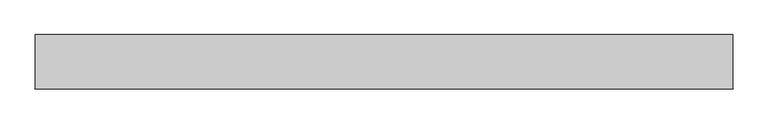
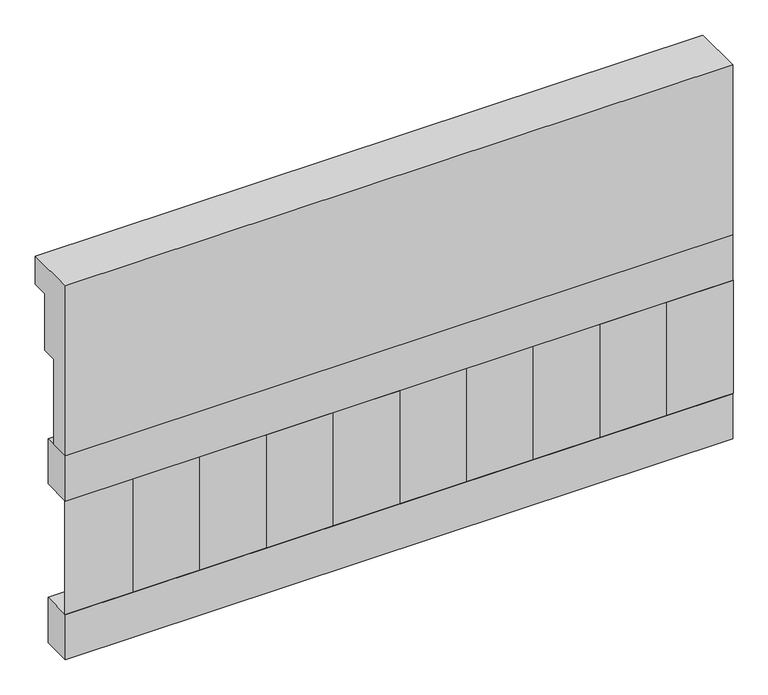
"""IFC4 building model written with IfcOpenShell, lengths in millimetres: railing geometry."""

from ifc_helpers import new_model, si_unit, frame, origin, place, context, project, spatial, polyline, outline, extrude, source, transform, mapped, element, save


def railing_fd9e86f4(model_context):
    return source(origin(), model_context, "Body", "SweptSolid", [
        extrude(outline(polyline([(903.1079487, 28400.0), (1033.1079487, 28400.0), (1033.1079487, 28325.0), (993.1079487, 28325.0), (993.1079487, 28175.0), (953.1079487, 28175.0), (953.1079487, 27950.0), (903.1079487, 27950.0), (903.1079487, 28400.0)])), frame((33090.0112841, 0.0, 0.0), z_axis=(1.0, 0.0, 0.0), x_axis=(0.0, 1.0, 0.0)), (0.0, 0.0, 1.0), 1670.0),
        extrude(outline(polyline([(34760.0112841, 978.1079487), (34760.0112841, 903.1079487), (33090.0112841, 903.1079487), (33090.0112841, 978.1079487), (34760.0112841, 978.1079487)])), frame((0.0, 0.0, 27830.0), z_axis=(0.0, 0.0, 1.0), x_axis=(1.0, 0.0, 0.0)), (0.0, 0.0, 1.0), 120.0),
        extrude(outline(polyline([(34760.0112841, 978.1079487), (34760.0112841, 903.1079487), (33090.0112841, 903.1079487), (33090.0112841, 978.1079487), (34760.0112841, 978.1079487)])), frame((0.0, 0.0, 27410.0), z_axis=(0.0, 0.0, 1.0), x_axis=(1.0, 0.0, 0.0)), (0.0, 0.0, 1.0), 120.0),
        extrude(outline(polyline([(33173.5112841, 987.9607624), (33258.3640978, 903.1079487), (33088.6584704, 903.1079487), (33173.5112841, 987.9607624)])), frame((0.0, 0.0, 27530.0), z_axis=(0.0, 0.0, 1.0), x_axis=(1.0, 0.0, 0.0)), (0.0, 0.0, 1.0), 300.0),
        extrude(outline(polyline([(33340.5112841, 987.9607624), (33425.3640978, 903.1079487), (33255.6584704, 903.1079487), (33340.5112841, 987.9607624)])), frame((0.0, 0.0, 27530.0), z_axis=(0.0, 0.0, 1.0), x_axis=(1.0, 0.0, 0.0)), (0.0, 0.0, 1.0), 300.0),
        extrude(outline(polyline([(33507.5112841, 987.9607624), (33592.3640978, 903.1079487), (33422.6584704, 903.1079487), (33507.5112841, 987.9607624)])), frame((0.0, 0.0, 27530.0), z_axis=(0.0, 0.0, 1.0), x_axis=(1.0, 0.0, 0.0)), (0.0, 0.0, 1.0), 300.0),
        extrude(outline(polyline([(33674.5112841, 987.9607624), (33759.3640978, 903.1079487), (33589.6584704, 903.1079487), (33674.5112841, 987.9607624)])), frame((0.0, 0.0, 27530.0), z_axis=(0.0, 0.0, 1.0), x_axis=(1.0, 0.0, 0.0)), (0.0, 0.0, 1.0), 300.0),
        extrude(outline(polyline([(33841.5112841, 987.9607624), (33926.3640978, 903.1079487), (33756.6584704, 903.1079487), (33841.5112841, 987.9607624)])), frame((0.0, 0.0, 27530.0), z_axis=(0.0, 0.0, 1.0), x_axis=(1.0, 0.0, 0.0)), (0.0, 0.0, 1.0), 300.0),
        extrude(outline(polyline([(34008.5112841, 987.9607624), (34093.3640978, 903.1079487), (33923.6584704, 903.1079487), (34008.5112841, 987.9607624)])), frame((0.0, 0.0, 27530.0), z_axis=(0.0, 0.0, 1.0), x_axis=(1.0, 0.0, 0.0)), (0.0, 0.0, 1.0), 300.0),
        extrude(outline(polyline([(34175.5112841, 987.9607624), (34260.3640978, 903.1079487), (34090.6584704, 903.1079487), (34175.5112841, 987.9607624)])), frame((0.0, 0.0, 27530.0), z_axis=(0.0, 0.0, 1.0), x_axis=(1.0, 0.0, 0.0)), (0.0, 0.0, 1.0), 300.0),
        extrude(outline(polyline([(34342.5112841, 987.9607624), (34427.3640978, 903.1079487), (34257.6584704, 903.1079487), (34342.5112841, 987.9607624)])), frame((0.0, 0.0, 27530.0), z_axis=(0.0, 0.0, 1.0), x_axis=(1.0, 0.0, 0.0)), (0.0, 0.0, 1.0), 300.0),
        extrude(outline(polyline([(34509.5112841, 987.9607624), (34594.3640978, 903.1079487), (34424.6584704, 903.1079487), (34509.5112841, 987.9607624)])), frame((0.0, 0.0, 27530.0), z_axis=(0.0, 0.0, 1.0), x_axis=(1.0, 0.0, 0.0)), (0.0, 0.0, 1.0), 300.0),
        extrude(outline(polyline([(34676.5112841, 987.9607624), (34761.3640978, 903.1079487), (34591.6584704, 903.1079487), (34676.5112841, 987.9607624)])), frame((0.0, 0.0, 27530.0), z_axis=(0.0, 0.0, 1.0), x_axis=(1.0, 0.0, 0.0)), (0.0, 0.0, 1.0), 300.0),
    ])


if __name__ == "__main__":
    model = new_model("IFC4")
    model_context = context("Model", 3, world=origin())
    ifc_project = project(units=[si_unit("LENGTHUNIT", "METRE", prefix="MILLI")], contexts=[model_context])
    site = spatial("IfcSite", under=ifc_project)
    building = spatial("IfcBuilding", under=site)
    placement = place(None, origin())
    railing_shape = railing_fd9e86f4(model_context)
    element("IfcRailing", 1, at=placement, inside=building, context=model_context, shape_type="MappedRepresentation", body=[
        mapped(railing_shape, transform((0.0, 0.0, 0.0), x_axis=(1.0, 0.0, 0.0), y_axis=(0.0, 1.0, 0.0), z_axis=(0.0, 0.0, 1.0))),
    ])
    save(model, "model.ifc")
